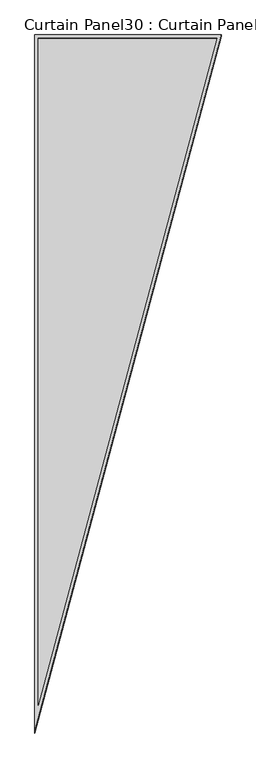
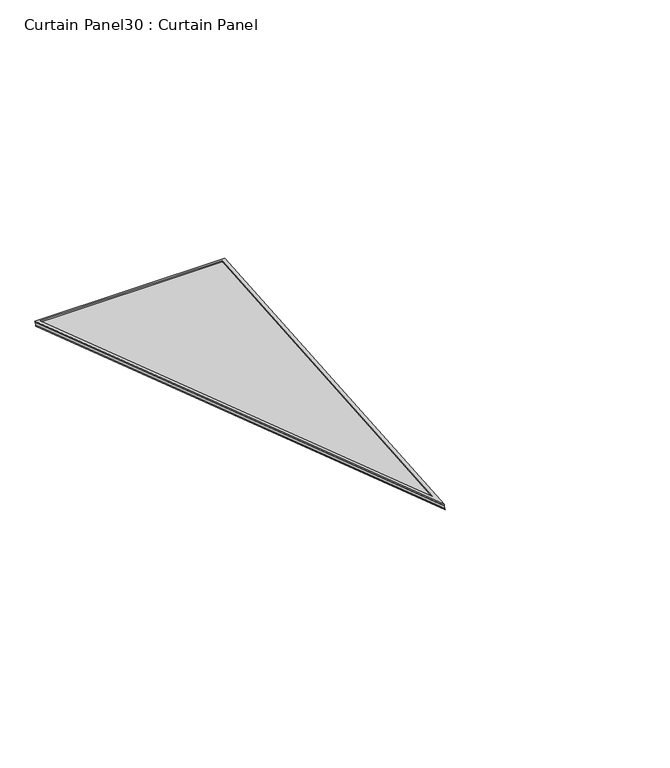
"""IFC4 building model written with IfcOpenShell, lengths in millimetres: plate geometry, Curtain Panel30 : Curtain Panel."""

from ifc_helpers import new_model, si_unit, frame, origin, place, context, project, spatial, polyline, outline, extrude, source, transform, mapped, element, save


def curtain_panel30_curtain_panel_60eb8e33(model_context):
    return source(origin(), model_context, "Body", "SweptSolid", [
        extrude(outline(polyline([(895.9373554, 0.0), (0.0, -3524.4506618), (0.0, 0.0), (895.9373554, 0.0)]), holes=[polyline([(882.6749851, -10.3127979), (10.3127979, -10.3127979), (10.3127979, -3442.0231397), (882.6749851, -10.3127979)])]), frame((13159.4740788, 7986.0392477, 881.9772337), z_axis=(0.0, 0.31614582397380575, 0.948710608132914), x_axis=(1.0, 0.0, 0.0)), (0.0, 0.0, 1.0), 4.6914358),
        extrude(outline(polyline([(895.9373554, 0.0), (0.0, -3524.4506618), (0.0, 0.0), (895.9373554, 0.0)]), holes=[polyline([(874.508816, -16.6627978), (16.6627979, -16.6627978), (16.6627979, -3391.2692346), (874.508816, -16.6627978)])]), frame((13159.4740788, 7991.6209783, 898.727248), z_axis=(0.0, 0.31614582397380586, 0.948710608132914), x_axis=(1.0, 0.0, 0.0)), (0.0, 0.0, 1.0), 4.8031983),
        extrude(outline(polyline([(28.0616023, 0.0), (923.9989577, 0.0), (28.0616023, -3524.4506618), (28.0616023, 0.0)])), frame((13131.4124765, 7987.5224255, 886.4280486), z_axis=(0.0, 0.3161458239738058, 0.948710608132914), x_axis=(1.0, 0.0, 0.0)), (0.0, 0.0, 1.0), 12.9641213),
    ])


if __name__ == "__main__":
    model = new_model("IFC4")
    model_context = context("Model", 3, world=origin())
    ifc_project = project(units=[si_unit("LENGTHUNIT", "METRE", prefix="MILLI")], contexts=[model_context])
    site = spatial("IfcSite", under=ifc_project)
    building = spatial("IfcBuilding", under=site)
    placement = place(None, origin())
    curtain_panel30_curtain_panel_shape = curtain_panel30_curtain_panel_60eb8e33(model_context)
    element("IfcPlate", 1, ObjectType="Curtain Panel30 : Curtain Panel", at=placement, inside=building, context=model_context, shape_type="MappedRepresentation", body=[
        mapped(curtain_panel30_curtain_panel_shape, transform((0.0, 0.0, 0.0), x_axis=(1.0, 0.0, 0.0), y_axis=(0.0, 1.0, 0.0), z_axis=(0.0, 0.0, 1.0))),
    ])
    save(model, "model.ifc")
